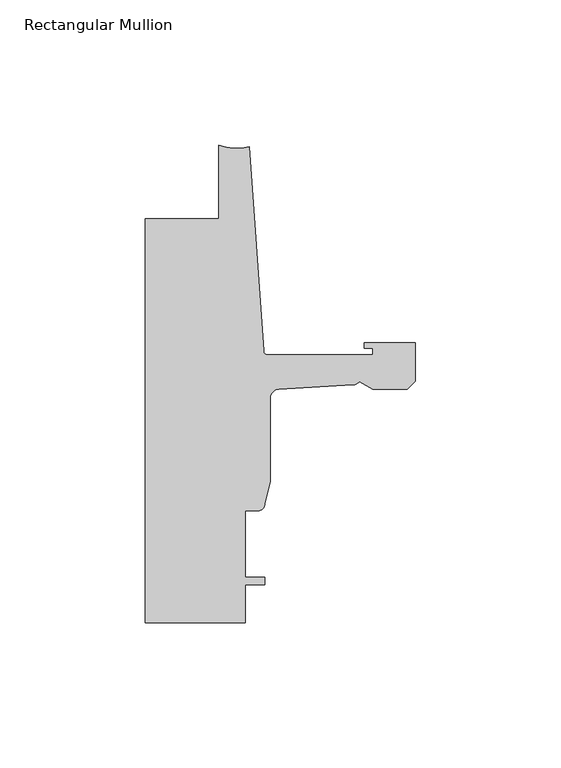
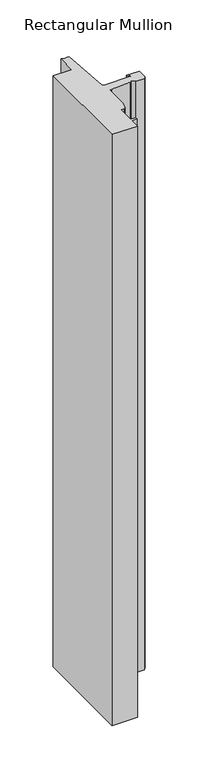
"""IFC4 building model written with IfcOpenShell, lengths in millimetres: member geometry, Rectangular Mullion."""

import ifcopenshell
import ifcopenshell.guid

model = None  # the IFC model being written
_history = None  # IfcOwnerHistory: only IFC2X3 demands one
_inside = {}  # id of a spatial element -> (the spatial element, [elements in it])
_under = {}  # id of a project, library or spatial element -> (it, [spatial elements below it])
_declared = {}  # id of a project -> (the project, [libraries it declares])
_typed = {}  # id of a type object -> (the type object, [elements of that type])
_made_of = {}  # id of a material, layer set ... -> (it, [elements and type objects made of it])


def new_model(schema):
    """Start an empty IFC model of exactly this schema.

    Asked for "IFC4X3", IfcOpenShell would pick the latest addendum, in which some entities
    have other attributes; the version numbers below select the first issue.
    IFC2X3 requires an IfcOwnerHistory on every rooted entity: one is made here for all.
    """
    global model, _history
    if schema == "IFC4X3":
        model = ifcopenshell.file(schema_version=(4, 3, 0, 0))
    else:
        model = ifcopenshell.file(schema=schema)
    _inside.clear()
    _under.clear()
    _declared.clear()
    _typed.clear()
    _made_of.clear()
    _history = None
    if model.schema == "IFC2X3":
        org = make("IfcOrganization", Name="unknown")
        user = make(
            "IfcPersonAndOrganization",
            ThePerson=make("IfcPerson", FamilyName="unknown"),
            TheOrganization=org,
        )
        app = make(
            "IfcApplication",
            ApplicationDeveloper=org,
            Version="unknown",
            ApplicationFullName="unknown",
            ApplicationIdentifier="unknown",
        )
        _history = make(
            "IfcOwnerHistory",
            OwningUser=user,
            OwningApplication=app,
            ChangeAction="ADDED",
            CreationDate=0,
        )
    return model


def make(cls, **values):
    """One entity of the class cls with the attributes given. An attribute that is None is left unset."""
    return model.create_entity(
        cls, **{name: value for name, value in values.items() if value is not None}
    )


def rooted(cls, **values):
    """An entity with a GlobalId (a new one), such as an element, a storey or a relation."""
    return make(cls, GlobalId=ifcopenshell.guid.new(), OwnerHistory=_history, **values)


def si_unit(unit_type, name, prefix=None):
    """IfcSIUnit, for example si_unit("LENGTHUNIT", "METRE", prefix="MILLI")."""
    return make("IfcSIUnit", UnitType=unit_type, Prefix=prefix, Name=name)


def assignment(units):
    """IfcUnitAssignment: the units of a project."""
    return None if units is None else make("IfcUnitAssignment", Units=units)


def point(xyz):
    """IfcCartesianPoint."""
    return None if xyz is None else make("IfcCartesianPoint", Coordinates=xyz)


def direction(xyz):
    """IfcDirection."""
    return None if xyz is None else make("IfcDirection", DirectionRatios=xyz)


def frame(location, z_axis=None, x_axis=None):
    """IfcAxis2Placement3D, a coordinate frame: its origin and axes. An axis left out is left unset."""
    return make(
        "IfcAxis2Placement3D",
        Location=point(location),
        Axis=direction(z_axis),
        RefDirection=direction(x_axis),
    )


def frame_2d(location, x_axis=None):
    """IfcAxis2Placement2D, a coordinate frame in the plane: its origin and x axis."""
    return make(
        "IfcAxis2Placement2D", Location=point(location), RefDirection=direction(x_axis)
    )


def origin():
    """The frame at (0, 0, 0) with its axes left unset."""
    return frame((0.0, 0.0, 0.0))


def place(relative_to, where):
    """IfcLocalPlacement: puts the frame where relative to a parent placement (None: the world)."""
    return make(
        "IfcLocalPlacement", PlacementRelTo=relative_to, RelativePlacement=where
    )


def context(
    kind, dimensions, precision=None, world=None, true_north=None, identifier=None
):
    """IfcGeometricRepresentationContext, for example the 3D "Model" context."""
    return make(
        "IfcGeometricRepresentationContext",
        ContextIdentifier=identifier,
        ContextType=kind,
        CoordinateSpaceDimension=dimensions,
        Precision=precision,
        WorldCoordinateSystem=world,
        TrueNorth=true_north,
    )


def project(units=None, contexts=None):
    """IfcProject with its units and contexts."""
    return rooted(
        "IfcProject",
        Name="project",
        RepresentationContexts=contexts,
        UnitsInContext=assignment(units),
    )


def spatial(cls, under=None, at=None, **own):
    """A site, building, storey or space (cls), placed at a placement, below another one or the project."""
    s = rooted(cls, ObjectPlacement=at, **own)
    if under is not None:
        _under.setdefault(under.id(), (under, []))[1].append(s)
    return s


def polyline(points):
    """IfcPolyline through the points."""
    return make("IfcPolyline", Points=[point(p) for p in points])


def circle_curve(where, radius):
    """IfcCircle in the frame where."""
    return make("IfcCircle", Position=where, Radius=radius)


def trimmed(basis, trim1, trim2, sense, master):
    """IfcTrimmedCurve: the piece of a basis curve between two trims."""
    return make(
        "IfcTrimmedCurve",
        BasisCurve=basis,
        Trim1=trim1,
        Trim2=trim2,
        SenseAgreement=sense,
        MasterRepresentation=master,
    )


def segment(curve, same_sense, transition):
    """IfcCompositeCurveSegment."""
    return make(
        "IfcCompositeCurveSegment",
        Transition=transition,
        SameSense=same_sense,
        ParentCurve=curve,
    )


def composite_curve(segments, self_intersect=None):
    """IfcCompositeCurve: segments joined end to end."""
    return make("IfcCompositeCurve", Segments=segments, SelfIntersect=self_intersect)


def outline(outer, holes=None, kind="AREA"):
    """IfcArbitraryClosedProfileDef: a profile drawn as a closed curve; with holes, ...WithVoids."""
    if holes is None:
        return make("IfcArbitraryClosedProfileDef", ProfileType=kind, OuterCurve=outer)
    return make(
        "IfcArbitraryProfileDefWithVoids",
        ProfileType=kind,
        OuterCurve=outer,
        InnerCurves=holes,
    )


def extrude(swept, where, along, depth):
    """IfcExtrudedAreaSolid: the profile swept, set in the frame where, extruded along a direction by depth."""
    return make(
        "IfcExtrudedAreaSolid",
        SweptArea=swept,
        Position=where,
        ExtrudedDirection=direction(along),
        Depth=depth,
    )


def shape(context_of_items, identifier, shape_type, items):
    """IfcShapeRepresentation: the items that make up one representation, for example the "Body"."""
    return make(
        "IfcShapeRepresentation",
        ContextOfItems=context_of_items,
        RepresentationIdentifier=identifier,
        RepresentationType=shape_type,
        Items=items,
    )


def source(mapping_origin, context_of_items, identifier, shape_type, items):
    """IfcRepresentationMap: a shape defined once, which mapped items show again and again."""
    return make(
        "IfcRepresentationMap",
        MappingOrigin=mapping_origin,
        MappedRepresentation=shape(context_of_items, identifier, shape_type, items),
    )


def transform(
    local_origin,
    x_axis=None,
    y_axis=None,
    z_axis=None,
    scale=None,
    scale2=None,
    scale3=None,
    uniform=True,
):
    """IfcCartesianTransformationOperator3D, or its non-uniform kind. x_axis, y_axis, z_axis: its Axis1, 2, 3."""
    if uniform:
        return make(
            "IfcCartesianTransformationOperator3D",
            Axis1=direction(x_axis),
            Axis2=direction(y_axis),
            LocalOrigin=point(local_origin),
            Scale=scale,
            Axis3=direction(z_axis),
        )
    return make(
        "IfcCartesianTransformationOperator3DnonUniform",
        Axis1=direction(x_axis),
        Axis2=direction(y_axis),
        LocalOrigin=point(local_origin),
        Scale=scale,
        Axis3=direction(z_axis),
        Scale2=scale2,
        Scale3=scale3,
    )


def mapped(mapping_source, mapping_target):
    """IfcMappedItem: shows the shape of a source again, moved by a transform."""
    return make(
        "IfcMappedItem", MappingSource=mapping_source, MappingTarget=mapping_target
    )


def made_of(thing, what):
    """Note that an element or type object is made of a material, layer set ...; save() writes the relation."""
    if what is not None:
        _made_of.setdefault(what.id(), (what, []))[1].append(thing)
    return thing


def element(
    cls,
    number,
    at=None,
    inside=None,
    cuts=None,
    type_object=None,
    material=None,
    context=None,
    identifier="Body",
    shape_type=None,
    held_by="IfcProductDefinitionShape",
    body=None,
    shapes=None,
    **own,
):
    """One element of the class cls, such as IfcWall. Its Tag is "e" and its number.

    at: its placement. inside: the storey or other place that contains it. cuts: it is an
    opening in that element (IfcRelVoidsElement). A single representation is given by context,
    identifier, shape_type and body (its items); several are given by shapes. held_by: the class
    of the entity that holds the representations. save() writes the other relations.
    """
    e = rooted(cls, Tag="e%d" % number, ObjectPlacement=at, **own)
    if body is not None:
        shapes = [shape(context, identifier, shape_type, body)]
    if shapes is not None:
        e.Representation = make(held_by, Representations=shapes)
    if inside is not None:
        _inside.setdefault(inside.id(), (inside, []))[1].append(e)
    if cuts is not None:
        rooted(
            "IfcRelVoidsElement", RelatingBuildingElement=cuts, RelatedOpeningElement=e
        )
    if type_object is not None:
        _typed.setdefault(type_object.id(), (type_object, []))[1].append(e)
    return made_of(e, material)


def aggregate(whole, parts):
    """IfcRelAggregates: a whole, such as a stair, and the parts it consists of."""
    return rooted("IfcRelAggregates", RelatingObject=whole, RelatedObjects=parts)


def save(model, path):
    """Write the relations noted so far, then the file.

    IfcRelAggregates (storeys below a building ...), IfcRelContainedInSpatialStructure (elements
    in a storey), IfcRelDefinesByType, IfcRelAssociatesMaterial and IfcRelDeclares: one each for
    every whole, place, type object, material and project.
    """
    for whole, parts in _under.values():
        aggregate(whole, parts)
    for where, things in _inside.values():
        rooted(
            "IfcRelContainedInSpatialStructure",
            RelatedElements=things,
            RelatingStructure=where,
        )
    for kind, things in _typed.values():
        rooted("IfcRelDefinesByType", RelatedObjects=things, RelatingType=kind)
    for what, things in _made_of.values():
        rooted("IfcRelAssociatesMaterial", RelatedObjects=things, RelatingMaterial=what)
    for by, libraries in _declared.values():
        rooted("IfcRelDeclares", RelatingContext=by, RelatedDefinitions=libraries)
    model.write(path)


def rectangular_mullion_479c56f0(model_context):
    return source(origin(), model_context, "Body", "SweptSolid", [
        extrude(outline(composite_curve([segment(polyline([(-93.2286109, -12.7), (-67.8287241, -12.7), (-67.8287241, 12.7004525)]), True, "CONTINUOUS"), segment(trimmed(circle_curve(frame_2d((-61.5737839, 28.2335325)), 16.7451739), [point((-67.8287241, 12.7004525))], [point((-57.2987656, 12.0432555))], True, "CARTESIAN"), True, "CONTINUOUS"), segment(polyline([(-57.2987656, 12.0432555), (-52.3871825, -58.1956563)]), True, "CONTINUOUS"), segment(trimmed(circle_curve(frame_2d((-50.8668948, -58.0893475)), 1.524), [point((-52.3871825, -58.1956563))], [point((-50.8668948, -59.6133475))], True, "CARTESIAN"), True, "CONTINUOUS"), segment(polyline([(-50.8668948, -59.6133475), (-14.783487, -59.6133475), (-14.783487, -57.2765474), (-17.6377748, -57.2765474), (-17.6377748, -55.4985474), (0.0, -55.4985474), (0.0, -68.6550602), (-2.845487, -71.5005472), (-14.7368542, -71.5005472), (-19.2689815, -68.8839223)]), True, "CONTINUOUS"), segment(trimmed(circle_curve(frame_2d((-21.6202542, -66.7503474)), 3.175), [point((-19.2689815, -68.8839223))], [point((-21.6202542, -69.9253474))], False, "CARTESIAN"), True, "CONTINUOUS"), segment(polyline([(-21.6202542, -69.9253474), (-47.0897067, -71.4433707)]), True, "CONTINUOUS"), segment(trimmed(circle_curve(frame_2d((-46.9265, -74.6141732)), 3.175), [point((-47.0897067, -71.4433707))], [point((-50.1015, -74.6141732))], True, "CARTESIAN"), True, "CONTINUOUS"), segment(polyline([(-50.1015, -74.6141732), (-50.1015, -103.3256605), (-51.8795003, -110.9077484)]), True, "CONTINUOUS"), segment(trimmed(circle_curve(frame_2d((-54.4195002, -110.9077484)), 2.5399999), [point((-51.8795003, -110.9077484))], [point((-54.4195002, -113.4477483))], False, "CARTESIAN"), True, "CONTINUOUS"), segment(polyline([(-54.4195002, -113.4477483), (-58.7375, -113.4477483), (-58.7375, -136.3077483), (-51.8795003, -136.3077483), (-51.8795003, -138.8477483), (-58.7375, -138.8477483), (-58.7375, -151.8915475), (-93.2286109, -151.8915475), (-93.2286109, -12.7)]), True, "CONTINUOUS")], self_intersect=False)), frame((0.0, 0.0, -850.8787585), z_axis=(0.0, 0.0, 1.0), x_axis=(1.0, 0.0, 0.0)), (0.0, 0.0, 1.0), 850.8787585),
    ])


if __name__ == "__main__":
    model = new_model("IFC4")
    model_context = context("Model", 3, world=origin())
    ifc_project = project(units=[si_unit("LENGTHUNIT", "METRE", prefix="MILLI")], contexts=[model_context])
    site = spatial("IfcSite", under=ifc_project)
    building = spatial("IfcBuilding", under=site)
    placement = place(None, origin())
    rectangular_mullion_shape = rectangular_mullion_479c56f0(model_context)
    element("IfcMember", 1, ObjectType="Rectangular Mullion", at=placement, inside=building, context=model_context, shape_type="MappedRepresentation", body=[
        mapped(rectangular_mullion_shape, transform((0.0, 0.0, 0.0), x_axis=(1.0, 0.0, 0.0), y_axis=(0.0, 1.0, 0.0), z_axis=(0.0, 0.0, 1.0))),
    ])
    save(model, "model.ifc")
